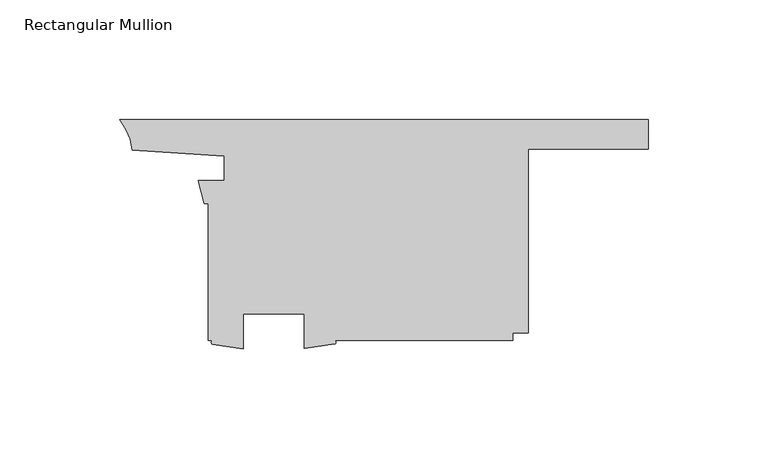
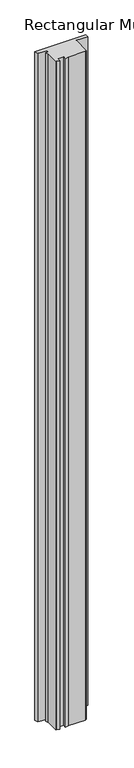
"""IFC4 building model written with IfcOpenShell, lengths in millimetres: member geometry, Rectangular Mullion."""

from ifc_helpers import new_model, si_unit, point, frame, frame_2d, origin, place, context, project, spatial, polyline, circle_curve, trimmed, segment, composite_curve, outline, extrude, source, transform, mapped, element, save


def rectangular_mullion_4a861045(model_context):
    return source(origin(), model_context, "Body", "SweptSolid", [
        extrude(outline(composite_curve([segment(polyline([(0.0, 35.9933331), (0.0, 23.6743331), (-50.038, 23.6743331), (-50.038, -52.9066399), (-56.3879375, -52.9066399), (-56.3879375, -56.0817939), (-130.7844125, -56.0817939)]), True, "CONTINUOUS"), segment(trimmed(circle_curve(frame_2d((-131.1357008, -56.892135)), 0.8832079), [point((-130.7844125, -56.0817939))], [point((-130.7131249, -57.6676902))], False, "CARTESIAN"), True, "CONTINUOUS"), segment(polyline([(-130.7131249, -57.6676902), (-143.4844125, -59.4777939), (-143.4844125, -44.9692939), (-168.8844125, -44.9692939), (-168.8844125, -59.6013157), (-181.5844125, -57.755814)]), True, "CONTINUOUS"), segment(trimmed(circle_curve(frame_2d((-181.1878119, -56.918804)), 0.9262169), [point((-181.5844125, -57.755814))], [point((-181.5844125, -56.0817939))], False, "CARTESIAN"), True, "CONTINUOUS"), segment(polyline([(-181.5844125, -56.0817939), (-183.3879375, -56.0817939), (-183.3879375, 1.0683331), (-185.1192017, 1.0683331), (-187.5613844, 10.5933331), (-176.7707675, 10.5933331), (-176.7707675, 20.7533331), (-215.0253252, 23.4032352)]), True, "CONTINUOUS"), segment(trimmed(circle_curve(frame_2d((-242.0546343, 19.534814)), 27.3047292), [point((-215.0253252, 23.4032352))], [point((-220.2678176, 35.9933331))], True, "CARTESIAN"), True, "CONTINUOUS"), segment(polyline([(-220.2678176, 35.9933331), (0.0, 35.9933331)]), True, "CONTINUOUS")], self_intersect=False)), frame((0.0, 0.0, -3048.0), z_axis=(0.0, 0.0, 1.0), x_axis=(1.0, 0.0, 0.0)), (0.0, 0.0, 1.0), 3048.0),
    ])


if __name__ == "__main__":
    model = new_model("IFC4")
    model_context = context("Model", 3, world=origin())
    ifc_project = project(units=[si_unit("LENGTHUNIT", "METRE", prefix="MILLI")], contexts=[model_context])
    site = spatial("IfcSite", under=ifc_project)
    building = spatial("IfcBuilding", under=site)
    placement = place(None, origin())
    rectangular_mullion_shape = rectangular_mullion_4a861045(model_context)
    element("IfcMember", 1, ObjectType="Rectangular Mullion", at=placement, inside=building, context=model_context, shape_type="MappedRepresentation", body=[
        mapped(rectangular_mullion_shape, transform((0.0, 0.0, 0.0), x_axis=(1.0, 0.0, 0.0), y_axis=(0.0, 1.0, 0.0), z_axis=(0.0, 0.0, 1.0))),
    ])
    save(model, "model.ifc")
